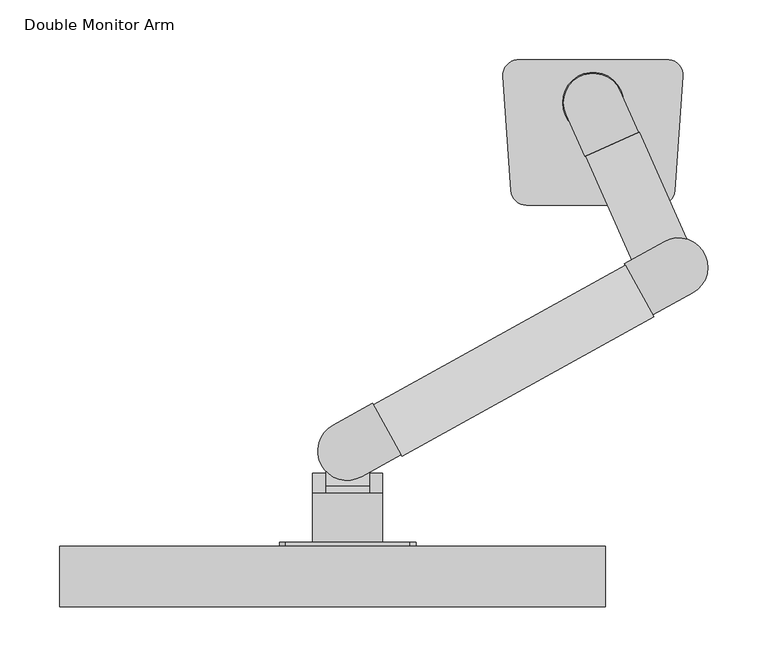
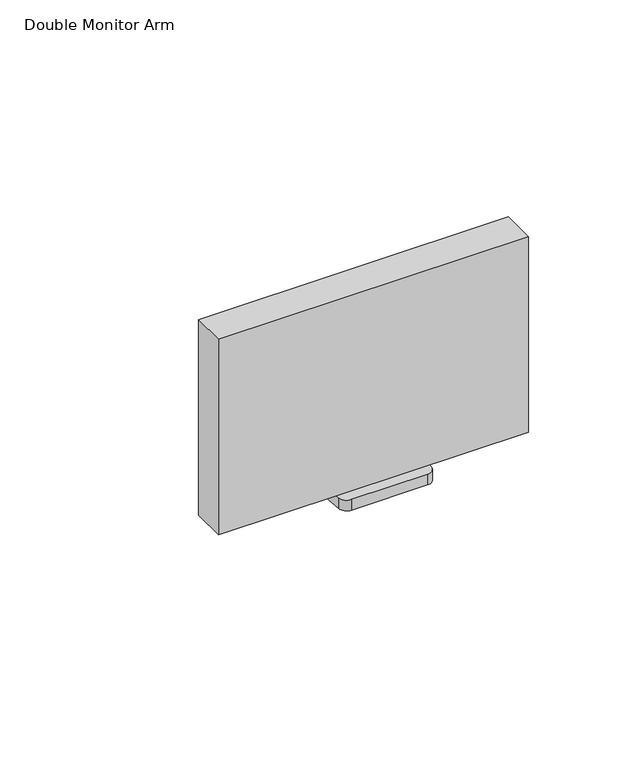
"""IFC4 building model written with IfcOpenShell, lengths in millimetres: furniture geometry, Double Monitor Arm."""

from ifc_helpers import new_model, si_unit, point, frame, frame_2d, origin, origin_2d, place, context, project, spatial, polyline, circle_curve, ellipse_curve, trimmed, segment, composite_curve, outline, extrude, source, transform, mapped, element, save
from ifc_brep_helpers import plane_surface, cylinder_surface, advanced_brep


def double_monitor_arm_d5a820ab(model_context):
    return source(origin(), model_context, "Body", "SolidModel", [
        advanced_brep(
        [(-234.9867613, -326.9752733, 1198.4054298), (-234.9867613, -368.2502733, 1198.4054298), (-176.2492613, -368.2502733, 1198.4054298), (-176.2492613, -326.9752733, 1198.4054298), (-187.3617613, -326.9752733, 1198.4054298), (-223.8742613, -326.9752733, 1198.4054298), (-223.8742613, -299.9877733, 1165.8616798), (-187.3617613, -299.9877733, 1165.8616798), (-187.3617613, -320.6605799, 1165.8616798), (-223.8742613, -320.6605799, 1165.8616798), (-223.8742613, -317.4502733, 1168.1178601), (-223.8742613, -320.8989576, 1197.2367104), (-223.8742613, -299.9877733, 1188.9613663), (-187.3617613, -299.9877733, 1188.9613663), (-187.3617613, -320.8989576, 1197.2367104), (-187.3617613, -317.4502733, 1168.1178601), (-205.6180113, -281.7315233, 1181.7366798), (-234.9867613, -317.4502733, 1168.1178601), (-234.9867613, -357.9315233, 1139.6679298), (-234.9867613, -368.2502733, 1139.6679298), (-234.9867613, -320.8989576, 1197.2367104), (-176.2492613, -368.2502733, 1139.6679298), (-176.2492613, -357.9315233, 1139.6679298), (-176.2492613, -317.4502733, 1168.1178601), (-176.2492613, -320.8989576, 1197.2367104)],
        [
            (0, 1),
            (1, 2),
            (2, 3),
            (3, 4),
            (4, 5),
            (5, 0),
            (6, 7, circle_curve(frame((-205.6180113, -299.9877733, 1165.8616798), z_axis=(0.0, 0.0, -1.0), x_axis=(-1.0, 0.0, 0.0)), 18.25625)),
            (7, 8),
            (8, 9),
            (9, 6),
            (9, 10),
            (10, 11, circle_curve(frame((-223.8742613, -327.0287892, 1181.747078), z_axis=(1.0, 0.0, 0.0), x_axis=(0.0, 1.0, 0.0)), 16.6584377)),
            (11, 12),
            (12, 6),
            (7, 13),
            (13, 14),
            (14, 15, circle_curve(frame((-187.3617613, -327.0287892, 1181.747078), z_axis=(-1.0, 0.0, 0.0), x_axis=(0.0, 1.0, 0.0)), 16.6584377)),
            (15, 8),
            (12, 16, ellipse_curve(frame((-205.6180113, -299.9877733, 1188.9613663), z_axis=(0.0, -0.3679715770399226, -0.9298370386743864), x_axis=(0.0, -0.9298370386743865, 0.3679715770399224)), 19.6338167, 18.25625)),
            (16, 13, ellipse_curve(frame((-205.6180113, -299.9877733, 1188.9613663), z_axis=(0.0, -0.3679715770399226, -0.9298370386743864), x_axis=(0.0, -0.9298370386743865, 0.3679715770399224)), 19.6338167, 18.25625)),
            (11, 14),
            (11, 5, circle_curve(frame((-223.8742613, -327.0287892, 1181.747078), z_axis=(1.0, 0.0, 0.0), x_axis=(0.0, 1.0, 0.0)), 16.6584377)),
            (4, 14, circle_curve(frame((-187.3617613, -327.0287892, 1181.747078), z_axis=(-1.0, 0.0, 0.0), x_axis=(0.0, 1.0, 0.0)), 16.6584377)),
            (17, 18),
            (18, 19),
            (19, 1),
            (0, 20, circle_curve(frame((-234.9867613, -327.0287892, 1181.747078), z_axis=(-1.0, 0.0, 0.0), x_axis=(0.0, 1.0, 0.0)), 16.6584377)),
            (20, 17, circle_curve(frame((-234.9867613, -327.0287892, 1181.747078), z_axis=(-1.0, 0.0, 0.0), x_axis=(0.0, 1.0, 0.0)), 16.6584377)),
            (2, 21),
            (21, 22),
            (22, 23),
            (23, 24, circle_curve(frame((-176.2492613, -327.0287892, 1181.747078), z_axis=(1.0, 0.0, 0.0), x_axis=(0.0, 1.0, 0.0)), 16.6584377)),
            (24, 3, circle_curve(frame((-176.2492613, -327.0287892, 1181.747078), z_axis=(1.0, 0.0, 0.0), x_axis=(0.0, 1.0, 0.0)), 16.6584377)),
            (23, 15),
            (10, 17),
            (22, 18),
            (21, 19),
        ],
        [
            plane_surface(frame((-223.8742613, -299.9877733, 1198.4054298), z_axis=(0.0, 0.0, 1.0), x_axis=(0.0, -1.0, 0.0))),
            plane_surface(frame((-223.8742613, -299.9877733, 1165.8616798), z_axis=(0.0, 0.0, -1.0), x_axis=(0.0, 1.0, 0.0))),
            plane_surface(frame((-223.8742613, -299.9877733, 1198.4054298), z_axis=(-1.0, 0.0, 0.0), x_axis=(0.0, 0.0, -1.0))),
            plane_surface(frame((-187.3617613, -326.9752733, 1198.4054298), z_axis=(1.0, 0.0, 0.0), x_axis=(0.0, 0.0, -1.0))),
            cylinder_surface(frame((-205.6180113, -299.9877733, 1165.8616798), z_axis=(0.0, 0.0, 1.0), x_axis=(-1.0, 0.0, 0.0)), 18.25625),
            plane_surface(frame((-237.3680113, -281.7315233, 1181.7366798), z_axis=(0.0, 0.3679715770399226, 0.9298370386743864), x_axis=(1.0, 0.0, 0.0))),
            cylinder_surface(frame((-173.8680113, -327.0287892, 1181.747078), z_axis=(1.0, 0.0, 0.0), x_axis=(0.0, 1.0, 0.0)), 16.6584377),
            plane_surface(frame((-234.9867613, -310.3703515, 1181.747078), z_axis=(-1.0, 0.0, 0.0), x_axis=(0.0, 0.0, -1.0))),
            plane_surface(frame((-176.2492613, -310.3703515, 1181.747078), z_axis=(1.0, 0.0, 0.0), x_axis=(0.0, 0.0, 1.0))),
            cylinder_surface(frame((-176.2492613, -327.0287892, 1181.747078), z_axis=(-1.0, 0.0, 0.0), x_axis=(0.0, 1.0, 0.0)), 16.6584377),
            plane_surface(frame((-234.9867613, -317.4502733, 1168.1178601), z_axis=(0.0, 0.574994853218363, -0.8181570257428541), x_axis=(1.0, 0.0, 0.0))),
            plane_surface(frame((-234.9867613, -357.9315233, 1139.6679298), z_axis=(0.0, 0.0, -1.0), x_axis=(1.0, 0.0, 0.0))),
            plane_surface(frame((-234.9867613, -368.2502733, 1139.6679298), z_axis=(0.0, -1.0, 0.0), x_axis=(1.0, 0.0, 0.0))),
        ],
        [
            (0, [[1, 2, 3, 4, 5, 6]]),
            (1, [[7, 8, 9, 10]]),
            (2, [[-10, 11, 12, 13, 14]]),
            (3, [[-8, 15, 16, 17, 18]]),
            (4, [[-7, -14, 19, 20, -15]]),
            (5, [[21, -16, -20, -19, -13]]),
            (6, [[-21, 22, -5, 23]]),
            (7, [[24, 25, 26, -1, 27, 28]]),
            (8, [[-3, 29, 30, 31, 32, 33]]),
            (9, [[-4, -33, -32, 34, -17, -23]]),
            (9, [[-6, -22, -12, 35, -28, -27]]),
            (10, [[-24, -35, -11, -9, -18, -34, -31, 36]]),
            (11, [[-25, -36, -30, 37]]),
            (12, [[-26, -37, -29, -2]]),
        ],
    ),
        extrude(outline(polyline([(1226.1866798, -153.2305113), (1226.1866798, -258.0055113), (1221.4241798, -262.7680113), (1116.6491798, -262.7680113), (1111.8866798, -258.0055113), (1111.8866798, -153.2305113), (1116.6491798, -148.4680113), (1221.4241798, -148.4680113), (1226.1866798, -153.2305113)])), frame((0.0, -371.4252733, 0.0), z_axis=(0.0, 1.0, 0.0), x_axis=(0.0, 0.0, 1.0)), (0.0, 0.0, 1.0), 3.175),
        extrude(outline(polyline([(10.2819887, -422.2252733), (-446.9180113, -422.2252733), (-446.9180113, -371.4252733), (10.2819887, -371.4252733), (10.2819887, -422.2252733)])), frame((0.0, 0.0, 1038.8616798), z_axis=(0.0, 0.0, 1.0), x_axis=(1.0, 0.0, 0.0)), (0.0, 0.0, 1.0), 304.8),
        extrude(outline(polyline([(-25.796875, 0.0), (25.796875, 0.0), (-115.490625, -133.35), (-166.290625, -133.35), (-25.796875, 0.0)])), frame((-6.1607448, -44.7079943, 820.2720058), z_axis=(0.9135454576425139, 0.4067366430759959, 0.0), x_axis=(0.0, 0.0, -1.0)), (0.0, 0.0, 1.0), 49.2125),
        extrude(outline(composite_curve([segment(trimmed(circle_curve(origin_2d(), 24.60625), [point((-22.4789279, -10.0082635))], [point((22.4789279, 10.0082635))], False, "CARTESIAN"), True, "CONTINUOUS"), segment(polyline([(22.4789279, 10.0082635), (37.975594, -24.7978184), (-6.9822618, -44.8143455), (-22.4789279, -10.0082635)]), True, "CONTINUOUS")], self_intersect=False)), frame((0.0, 0.0, 794.4751308), z_axis=(0.0, 0.0, 1.0), x_axis=(1.0, 0.0, 0.0)), (0.0, 0.0, 1.0), 51.59375),
        extrude(outline(composite_curve([segment(trimmed(circle_curve(frame_2d((-206.0459469, -291.6894928)), 24.60625), [point((-194.1166001, -313.2106039))], [point((-217.9752936, -270.1683816))], False, "CARTESIAN"), True, "CONTINUOUS"), segment(polyline([(-217.9752936, -270.1683816), (-184.6522827, -251.6971351), (-160.7935893, -294.7393574), (-194.1166001, -313.2106039)]), True, "CONTINUOUS")], self_intersect=False)), frame((0.0, 0.0, 1158.2891061), z_axis=(0.0, 0.0, 1.0), x_axis=(1.0, 0.0, 0.0)), (0.0, 0.0, 1.0), 51.3858939),
        extrude(outline(polyline([(-25.796875, 0.0), (25.796875, 0.0), (229.790625, -241.3), (178.990625, -241.3), (-25.796875, 0.0)])), frame((51.0217813, -179.1432548, 979.884375), z_axis=(-0.48480962024651864, 0.8746197071392953, 0.0), x_axis=(0.0, 0.0, 1.0)), (0.0, 0.0, 1.0), 49.2125),
        extrude(outline(composite_curve([segment(trimmed(circle_curve(frame_2d((71.6458101, -137.7624383)), 24.60625), [point((59.7164634, -116.2413272))], [point((83.5751569, -159.2835495))], False, "CARTESIAN"), True, "CONTINUOUS"), segment(polyline([(83.5751569, -159.2835495), (50.252146, -177.754796), (26.3934526, -134.7125737), (59.7164634, -116.2413272)]), True, "CONTINUOUS")], self_intersect=False)), frame((0.0, 0.0, 954.0875), z_axis=(0.0, 0.0, 1.0), x_axis=(1.0, 0.0, 0.0)), (0.0, 0.0, 1.0), 51.59375),
        extrude(outline(composite_curve([segment(trimmed(circle_curve(frame_2d((-62.6611672, 23.2932295)), 12.7), [point((-75.3302307, 22.4073223))], [point((-63.6792792, 35.9523546))], False, "CARTESIAN"), True, "CONTINUOUS"), segment(trimmed(circle_curve(frame_2d((0.0, -755.8308364)), 794.3397712), [point((-63.6792792, 35.9523546))], [point((63.6792792, 35.9523546))], False, "CARTESIAN"), True, "CONTINUOUS"), segment(trimmed(circle_curve(frame_2d((62.6611672, 23.2932295)), 12.7), [point((63.6792792, 35.9523546))], [point((75.3302307, 22.4073223))], False, "CARTESIAN"), True, "CONTINUOUS"), segment(polyline([(75.3302307, 22.4073223), (68.5984812, -73.8611805)]), True, "CONTINUOUS"), segment(trimmed(circle_curve(frame_2d((55.9294177, -72.9752733)), 12.7), [point((68.5984812, -73.8611805))], [point((55.9294177, -85.6752733))], False, "CARTESIAN"), True, "CONTINUOUS"), segment(polyline([(55.9294177, -85.6752733), (-55.9294177, -85.6752733)]), True, "CONTINUOUS"), segment(trimmed(circle_curve(frame_2d((-55.9294177, -72.9752733)), 12.7), [point((-55.9294177, -85.6752733))], [point((-68.5984812, -73.8611805))], False, "CARTESIAN"), True, "CONTINUOUS"), segment(polyline([(-68.5984812, -73.8611805), (-75.3302307, 22.4073223)]), True, "CONTINUOUS")], self_intersect=False)), frame((0.0, 0.0, 736.6), z_axis=(0.0, 0.0, 1.0), x_axis=(1.0, 0.0, 0.0)), (0.0, 0.0, 1.0), 16.66875),
        extrude(outline(composite_curve([segment(trimmed(circle_curve(origin_2d(), 25.4), [point((-25.4, 0.0))], [point((25.4, 0.0))], False, "CARTESIAN"), True, "CONTINUOUS"), segment(trimmed(circle_curve(origin_2d(), 25.4), [point((25.4, 0.0))], [point((-25.4, 0.0))], False, "CARTESIAN"), True, "CONTINUOUS")], self_intersect=False)), frame((0.0, 0.0, 753.26875), z_axis=(0.0, 0.0, 1.0), x_axis=(1.0, 0.0, 0.0)), (0.0, 0.0, 1.0), 41.2063808),
    ])


if __name__ == "__main__":
    model = new_model("IFC4")
    model_context = context("Model", 3, world=origin())
    ifc_project = project(units=[si_unit("LENGTHUNIT", "METRE", prefix="MILLI")], contexts=[model_context])
    site = spatial("IfcSite", under=ifc_project)
    building = spatial("IfcBuilding", under=site)
    placement = place(None, origin())
    double_monitor_arm_shape = double_monitor_arm_d5a820ab(model_context)
    element("IfcFurniture", 1, ObjectType="Double Monitor Arm", at=placement, inside=building, context=model_context, shape_type="MappedRepresentation", body=[
        mapped(double_monitor_arm_shape, transform((0.0, 0.0, 0.0), x_axis=(1.0, 0.0, 0.0), y_axis=(0.0, 1.0, 0.0), z_axis=(0.0, 0.0, 1.0))),
    ])
    save(model, "model.ifc")
